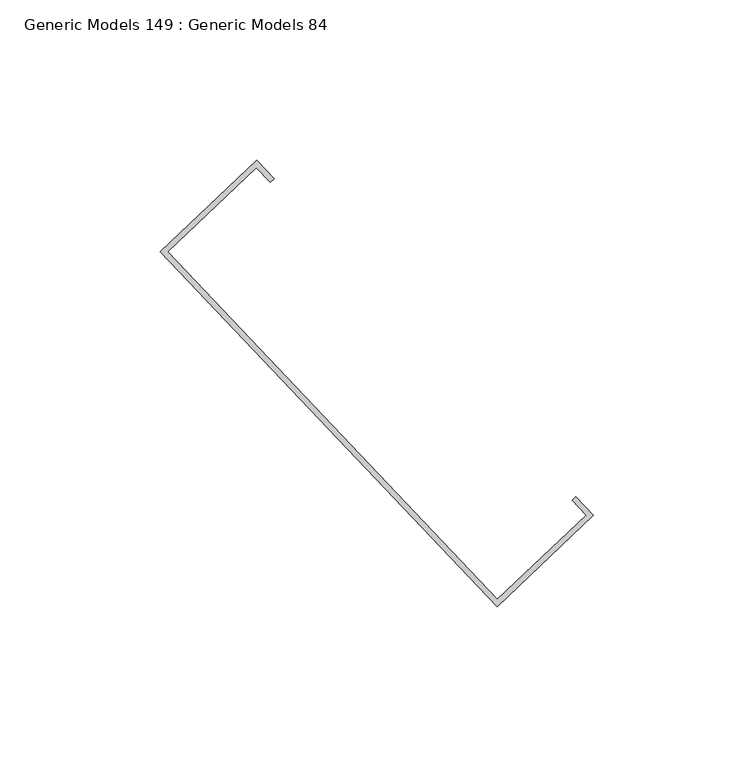
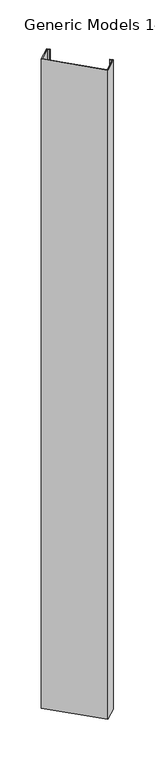
"""IFC4 building model written with IfcOpenShell, lengths in millimetres: proxy geometry, Generic Models 149 : Generic Models 84."""

from ifc_helpers import new_model, si_unit, frame, origin, place, context, project, spatial, polyline, outline, extrude, source, transform, mapped, element, save


def generic_models_149_generic_models_84_9e25ec6f(model_context):
    return source(origin(), model_context, "Body", "SweptSolid", [
        extrude(outline(polyline([(100356.4918027, 57275.0851924), (100251.5865654, 57385.6322465), (100281.5263925, 57414.0440816), (100286.990207, 57408.2864226), (100285.8386752, 57407.1936597), (100281.4676236, 57411.7997869), (100253.8308601, 57385.5734776), (100356.5505716, 57277.3294871), (100384.1873352, 57303.5557964), (100379.8162836, 57308.1619237), (100380.9678154, 57309.2546866), (100386.4316299, 57303.4970275), (100356.4918027, 57275.0851924)])), frame((0.0, 0.0, 15885.7016641), z_axis=(0.0, 0.0, 1.0), x_axis=(1.0, 0.0, 0.0)), (0.0, 0.0, 1.0), 1740.3108359),
    ])


if __name__ == "__main__":
    model = new_model("IFC4")
    model_context = context("Model", 3, world=origin())
    ifc_project = project(units=[si_unit("LENGTHUNIT", "METRE", prefix="MILLI")], contexts=[model_context])
    site = spatial("IfcSite", under=ifc_project)
    building = spatial("IfcBuilding", under=site)
    placement = place(None, origin())
    generic_models_149_generic_models_84_shape = generic_models_149_generic_models_84_9e25ec6f(model_context)
    element("IfcBuildingElementProxy", 1, Name="Generic Models 149 : Generic Models 84", ObjectType="Generic Models 149 : Generic Models 84", at=placement, inside=building, context=model_context, shape_type="MappedRepresentation", body=[
        mapped(generic_models_149_generic_models_84_shape, transform((0.0, 0.0, 0.0), x_axis=(1.0, 0.0, 0.0), y_axis=(0.0, 1.0, 0.0), z_axis=(0.0, 0.0, 1.0))),
    ])
    save(model, "model.ifc")
